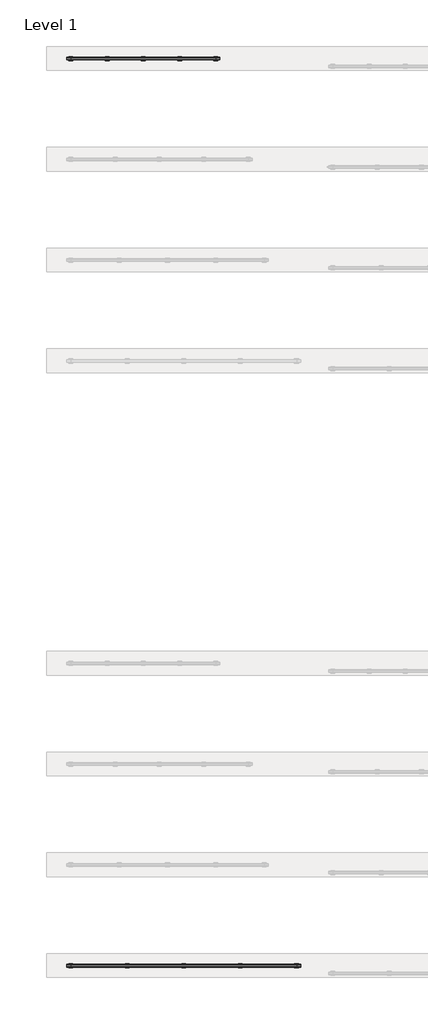
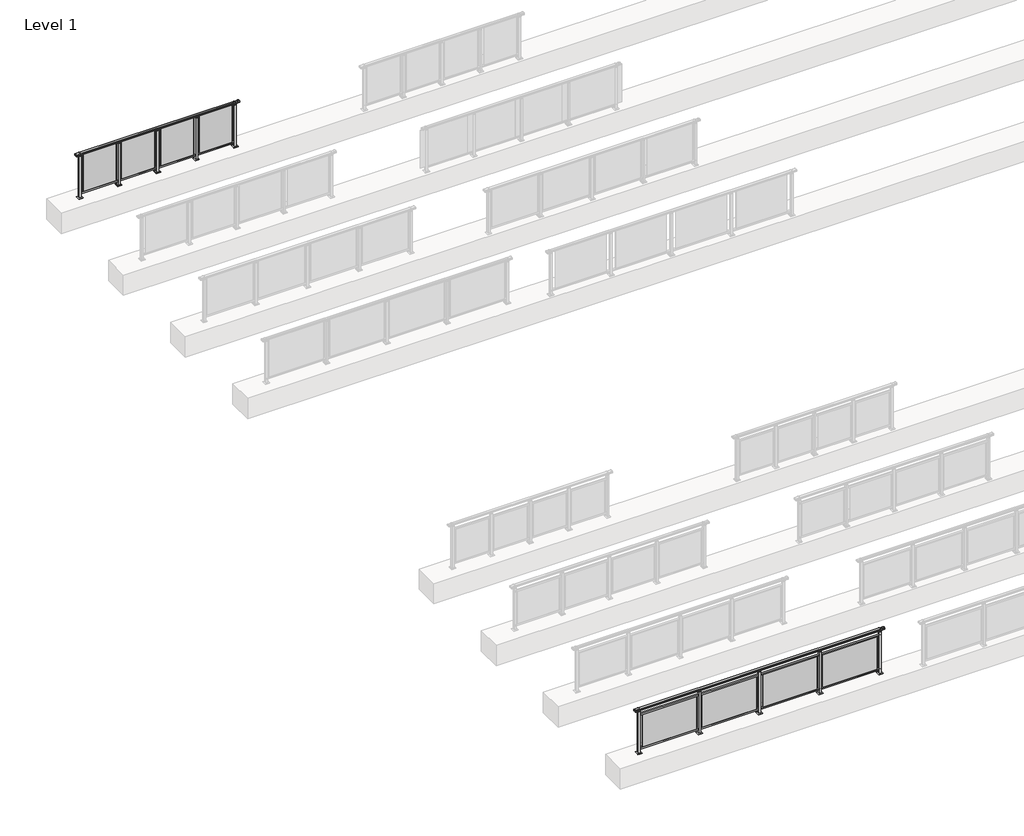
# One storey, part 36 of 64: 2 railings.
"""IFC4 building model written with IfcOpenShell, lengths in millimetres."""

import ifcopenshell
import ifcopenshell.guid

model = None  # the IFC model being written
_history = None  # IfcOwnerHistory: only IFC2X3 demands one
_inside = {}  # id of a spatial element -> (the spatial element, [elements in it])
_under = {}  # id of a project, library or spatial element -> (it, [spatial elements below it])
_declared = {}  # id of a project -> (the project, [libraries it declares])
_typed = {}  # id of a type object -> (the type object, [elements of that type])
_made_of = {}  # id of a material, layer set ... -> (it, [elements and type objects made of it])


def new_model(schema):
    """Start an empty IFC model of exactly this schema.

    Asked for "IFC4X3", IfcOpenShell would pick the latest addendum, in which some entities
    have other attributes; the version numbers below select the first issue.
    IFC2X3 requires an IfcOwnerHistory on every rooted entity: one is made here for all.
    """
    global model, _history
    if schema == "IFC4X3":
        model = ifcopenshell.file(schema_version=(4, 3, 0, 0))
    else:
        model = ifcopenshell.file(schema=schema)
    _inside.clear()
    _under.clear()
    _declared.clear()
    _typed.clear()
    _made_of.clear()
    _history = None
    if model.schema == "IFC2X3":
        org = make("IfcOrganization", Name="unknown")
        user = make(
            "IfcPersonAndOrganization",
            ThePerson=make("IfcPerson", FamilyName="unknown"),
            TheOrganization=org,
        )
        app = make(
            "IfcApplication",
            ApplicationDeveloper=org,
            Version="unknown",
            ApplicationFullName="unknown",
            ApplicationIdentifier="unknown",
        )
        _history = make(
            "IfcOwnerHistory",
            OwningUser=user,
            OwningApplication=app,
            ChangeAction="ADDED",
            CreationDate=0,
        )
    return model


def make(cls, **values):
    """One entity of the class cls with the attributes given. An attribute that is None is left unset."""
    return model.create_entity(
        cls, **{name: value for name, value in values.items() if value is not None}
    )


def rooted(cls, **values):
    """An entity with a GlobalId (a new one), such as an element, a storey or a relation."""
    return make(cls, GlobalId=ifcopenshell.guid.new(), OwnerHistory=_history, **values)


def si_unit(unit_type, name, prefix=None):
    """IfcSIUnit, for example si_unit("LENGTHUNIT", "METRE", prefix="MILLI")."""
    return make("IfcSIUnit", UnitType=unit_type, Prefix=prefix, Name=name)


def assignment(units):
    """IfcUnitAssignment: the units of a project."""
    return None if units is None else make("IfcUnitAssignment", Units=units)


def point(xyz):
    """IfcCartesianPoint."""
    return None if xyz is None else make("IfcCartesianPoint", Coordinates=xyz)


def direction(xyz):
    """IfcDirection."""
    return None if xyz is None else make("IfcDirection", DirectionRatios=xyz)


def frame(location, z_axis=None, x_axis=None):
    """IfcAxis2Placement3D, a coordinate frame: its origin and axes. An axis left out is left unset."""
    return make(
        "IfcAxis2Placement3D",
        Location=point(location),
        Axis=direction(z_axis),
        RefDirection=direction(x_axis),
    )


def origin():
    """The frame at (0, 0, 0) with its axes left unset."""
    return frame((0.0, 0.0, 0.0))


def origin_with_axes():
    """The frame at (0, 0, 0) with the z axis (0, 0, 1) and the x axis (1, 0, 0) written out."""
    return frame((0.0, 0.0, 0.0), z_axis=(0.0, 0.0, 1.0), x_axis=(1.0, 0.0, 0.0))


def place(relative_to, where):
    """IfcLocalPlacement: puts the frame where relative to a parent placement (None: the world)."""
    return make(
        "IfcLocalPlacement", PlacementRelTo=relative_to, RelativePlacement=where
    )


def context(
    kind, dimensions, precision=None, world=None, true_north=None, identifier=None
):
    """IfcGeometricRepresentationContext, for example the 3D "Model" context."""
    return make(
        "IfcGeometricRepresentationContext",
        ContextIdentifier=identifier,
        ContextType=kind,
        CoordinateSpaceDimension=dimensions,
        Precision=precision,
        WorldCoordinateSystem=world,
        TrueNorth=true_north,
    )


def project(units=None, contexts=None):
    """IfcProject with its units and contexts."""
    return rooted(
        "IfcProject",
        Name="project",
        RepresentationContexts=contexts,
        UnitsInContext=assignment(units),
    )


def spatial(cls, under=None, at=None, **own):
    """A site, building, storey or space (cls), placed at a placement, below another one or the project."""
    s = rooted(cls, ObjectPlacement=at, **own)
    if under is not None:
        _under.setdefault(under.id(), (under, []))[1].append(s)
    return s


def polyline(points):
    """IfcPolyline through the points."""
    return make("IfcPolyline", Points=[point(p) for p in points])


def circle_curve(where, radius):
    """IfcCircle in the frame where."""
    return make("IfcCircle", Position=where, Radius=radius)


def outline(outer, holes=None, kind="AREA"):
    """IfcArbitraryClosedProfileDef: a profile drawn as a closed curve; with holes, ...WithVoids."""
    if holes is None:
        return make("IfcArbitraryClosedProfileDef", ProfileType=kind, OuterCurve=outer)
    return make(
        "IfcArbitraryProfileDefWithVoids",
        ProfileType=kind,
        OuterCurve=outer,
        InnerCurves=holes,
    )


def extrude(swept, where, along, depth):
    """IfcExtrudedAreaSolid: the profile swept, set in the frame where, extruded along a direction by depth."""
    return make(
        "IfcExtrudedAreaSolid",
        SweptArea=swept,
        Position=where,
        ExtrudedDirection=direction(along),
        Depth=depth,
    )


def shape(context_of_items, identifier, shape_type, items):
    """IfcShapeRepresentation: the items that make up one representation, for example the "Body"."""
    return make(
        "IfcShapeRepresentation",
        ContextOfItems=context_of_items,
        RepresentationIdentifier=identifier,
        RepresentationType=shape_type,
        Items=items,
    )


def made_of(thing, what):
    """Note that an element or type object is made of a material, layer set ...; save() writes the relation."""
    if what is not None:
        _made_of.setdefault(what.id(), (what, []))[1].append(thing)
    return thing


def element(
    cls,
    number,
    at=None,
    inside=None,
    cuts=None,
    type_object=None,
    material=None,
    context=None,
    identifier="Body",
    shape_type=None,
    held_by="IfcProductDefinitionShape",
    body=None,
    shapes=None,
    **own,
):
    """One element of the class cls, such as IfcWall. Its Tag is "e" and its number.

    at: its placement. inside: the storey or other place that contains it. cuts: it is an
    opening in that element (IfcRelVoidsElement). A single representation is given by context,
    identifier, shape_type and body (its items); several are given by shapes. held_by: the class
    of the entity that holds the representations. save() writes the other relations.
    """
    e = rooted(cls, Tag="e%d" % number, ObjectPlacement=at, **own)
    if body is not None:
        shapes = [shape(context, identifier, shape_type, body)]
    if shapes is not None:
        e.Representation = make(held_by, Representations=shapes)
    if inside is not None:
        _inside.setdefault(inside.id(), (inside, []))[1].append(e)
    if cuts is not None:
        rooted(
            "IfcRelVoidsElement", RelatingBuildingElement=cuts, RelatedOpeningElement=e
        )
    if type_object is not None:
        _typed.setdefault(type_object.id(), (type_object, []))[1].append(e)
    return made_of(e, material)


def aggregate(whole, parts):
    """IfcRelAggregates: a whole, such as a stair, and the parts it consists of."""
    return rooted("IfcRelAggregates", RelatingObject=whole, RelatedObjects=parts)


def save(model, path):
    """Write the relations noted so far, then the file.

    IfcRelAggregates (storeys below a building ...), IfcRelContainedInSpatialStructure (elements
    in a storey), IfcRelDefinesByType, IfcRelAssociatesMaterial and IfcRelDeclares: one each for
    every whole, place, type object, material and project.
    """
    for whole, parts in _under.values():
        aggregate(whole, parts)
    for where, things in _inside.values():
        rooted(
            "IfcRelContainedInSpatialStructure",
            RelatedElements=things,
            RelatingStructure=where,
        )
    for kind, things in _typed.values():
        rooted("IfcRelDefinesByType", RelatedObjects=things, RelatingType=kind)
    for what, things in _made_of.values():
        rooted("IfcRelAssociatesMaterial", RelatedObjects=things, RelatingMaterial=what)
    for by, libraries in _declared.values():
        rooted("IfcRelDeclares", RelatingContext=by, RelatedDefinitions=libraries)
    model.write(path)


def plane_surface(at):
    """IfcPlane: the flat surface through the origin of the frame at, square to its z axis."""
    return make("IfcPlane", Position=at)


def cylinder_surface(at, radius):
    """IfcCylindricalSurface: all points at the distance radius from the z axis of the frame at."""
    return make("IfcCylindricalSurface", Position=at, Radius=radius)


def revolved_surface(curve, axis_point, axis_direction):
    """IfcSurfaceOfRevolution: the curve turned about the line through axis_point along axis_direction."""
    return make(
        "IfcSurfaceOfRevolution",
        SweptCurve=make("IfcArbitraryOpenProfileDef", ProfileType="CURVE", Curve=curve),
        AxisPosition=make("IfcAxis1Placement", Location=point(axis_point), Axis=direction(axis_direction)),
    )


def advanced_brep(points, edges, surfaces, faces):
    """IfcAdvancedBrep: a solid bounded by faces that lie on surfaces and meet in shared edges.

    An edge is (start, end): straight between two places in points (the first is 0);
    or (start, end, curve); or (start, end, curve, False) where it runs against its curve.
    A face is (place in surfaces, loops), or (place, loops, False) where it looks against
    its surface's normal. A loop lists edges by number (the first is 1), with a minus sign
    where the edge is run from its end to its start. The first loop is the outer one.
    """
    corners = [point(p) for p in points]
    vertices = [make("IfcVertexPoint", VertexGeometry=c) for c in corners]
    made = []
    for start, end, *more in edges:
        made.append(
            make(
                "IfcEdgeCurve",
                EdgeStart=vertices[start],
                EdgeEnd=vertices[end],
                EdgeGeometry=more[0] if more else make("IfcPolyline", Points=[corners[start], corners[end]]),
                SameSense=more[1] if len(more) > 1 else True,
            )
        )
    hull = []
    for where, loops, *sense in faces:
        bounds = []
        for j, loop in enumerate(loops):
            ring = [make("IfcOrientedEdge", EdgeElement=made[abs(k) - 1], Orientation=k > 0) for k in loop]
            bounds.append(
                make(
                    "IfcFaceOuterBound" if j == 0 else "IfcFaceBound",
                    Bound=make("IfcEdgeLoop", EdgeList=ring),
                    Orientation=True,
                )
            )
        hull.append(make("IfcAdvancedFace", Bounds=bounds, FaceSurface=surfaces[where], SameSense=sense[0] if sense else True))
    return make("IfcAdvancedBrep", Outer=make("IfcClosedShell", CfsFaces=hull))


model = new_model("IFC4")

# Units and contexts
model_context = context("Model", 3, world=origin())
ifc_project = project(units=[si_unit("LENGTHUNIT", "METRE", prefix="MILLI")], contexts=[model_context])

# Site, building, storey
site = spatial("IfcSite", under=ifc_project)
building = spatial("IfcBuilding", under=site)
storey = spatial("IfcBuildingStorey", under=building, Name="Level 1", Elevation=0.0)

# Railings
placement = place(None, origin())
element("IfcRailing", 1, at=placement, inside=storey, context=model_context, shape_type="SolidModel", body=[
    advanced_brep(
    [(29900.0, 22715.3633756, 1095.6691182), (29900.0, 22720.1846828, 1081.1334092), (29900.0, 22719.2413744, 1069.2539035), (29900.0, 22721.1364177, 1061.4863007), (29900.0, 22719.4894799, 1060.384124), (29900.0, 22719.4894799, 1062.0), (29900.0, 22660.8798858, 1062.0), (29900.0, 22660.8798858, 1060.384124), (29900.0, 22659.232948, 1061.4863007), (29900.0, 22661.1279912, 1069.2539035), (29900.0, 22660.1846828, 1081.1334092), (29900.0, 22665.00599, 1095.6691182), (33700.0, 22715.3633756, 1095.6691182), (33700.0, 22665.00599, 1095.6691182), (33700.0, 22660.1846828, 1081.1334092), (33700.0, 22661.1279912, 1069.2539035), (33700.0, 22659.232948, 1061.4863007), (33700.0, 22660.8798858, 1060.384124), (33700.0, 22660.8798858, 1062.0), (33700.0, 22719.4894799, 1062.0), (33700.0, 22719.4894799, 1060.384124), (33700.0, 22721.1364177, 1061.4863007), (33700.0, 22719.2413744, 1069.2539035), (33700.0, 22720.1846828, 1081.1334092), (30000.0, 22715.3633756, 1095.6691182), (30000.0, 22720.1846828, 1081.1334092), (30000.0, 22719.2413744, 1069.2539035), (30000.0, 22721.1364177, 1061.4863007), (30000.0, 22719.4894799, 1060.384124), (30000.0, 22719.4894799, 1062.0), (30000.0, 22660.8798858, 1062.0), (30000.0, 22660.8798858, 1060.384124), (30000.0, 22659.232948, 1061.4863007), (30000.0, 22661.1279912, 1069.2539035), (30000.0, 22660.1846828, 1081.1334092), (30000.0, 22665.00599, 1095.6691182), (33600.0, 22715.3633756, 1095.6691182), (33600.0, 22720.1846828, 1081.1334092), (33600.0, 22719.2413744, 1069.2539035), (33600.0, 22721.1364177, 1061.4863007), (33600.0, 22719.4894799, 1060.384124), (33600.0, 22719.4894799, 1062.0), (33600.0, 22660.8798858, 1062.0), (33600.0, 22660.8798858, 1060.384124), (33600.0, 22659.232948, 1061.4863007), (33600.0, 22661.1279912, 1069.2539035), (33600.0, 22660.1846828, 1081.1334092), (33600.0, 22665.00599, 1095.6691182)],
    [
        (0, 1, circle_curve(frame((29900.0, 22712.1223845, 1086.526686), z_axis=(-1.0, 0.0, 0.0), x_axis=(0.0, -1.0, 0.0)), 9.6999015)),
        (1, 2, circle_curve(frame((29900.0, 22737.7252545, 1073.7633709), z_axis=(1.0, 0.0, 0.0), x_axis=(0.0, -1.0, 0.0)), 19.0260117)),
        (2, 3),
        (3, 4, circle_curve(frame((29900.0, 22720.2772073, 1060.9886194), z_axis=(-1.0, 0.0, 0.0), x_axis=(0.0, -1.0, 0.0)), 0.9929396)),
        (4, 5),
        (5, 6),
        (6, 7),
        (7, 8, circle_curve(frame((29900.0, 22660.0921584, 1060.9886194), z_axis=(-1.0, 0.0, 0.0), x_axis=(0.0, 1.0, 0.0)), 0.9929396)),
        (8, 9),
        (9, 10, circle_curve(frame((29900.0, 22642.6441111, 1073.7633709), z_axis=(1.0, 0.0, 0.0), x_axis=(0.0, 1.0, 0.0)), 19.0260117)),
        (10, 11, circle_curve(frame((29900.0, 22668.2469812, 1086.526686), z_axis=(-1.0, 0.0, 0.0), x_axis=(0.0, 1.0, 0.0)), 9.6999015)),
        (11, 0, circle_curve(frame((29900.0, 22690.1846828, 1024.6431628), z_axis=(-1.0, 0.0, 0.0), x_axis=(0.0, 1.0, 0.0)), 75.3568372)),
        (12, 13, circle_curve(frame((33700.0, 22690.1846828, 1024.6431628), z_axis=(1.0, 0.0, 0.0), x_axis=(0.0, 1.0, 0.0)), 75.3568372)),
        (13, 14, circle_curve(frame((33700.0, 22668.2469812, 1086.526686), z_axis=(1.0, 0.0, 0.0), x_axis=(0.0, 1.0, 0.0)), 9.6999015)),
        (14, 15, circle_curve(frame((33700.0, 22642.6441111, 1073.7633709), z_axis=(-1.0, 0.0, 0.0), x_axis=(0.0, 1.0, 0.0)), 19.0260117)),
        (15, 16),
        (16, 17, circle_curve(frame((33700.0, 22660.0921584, 1060.9886194), z_axis=(1.0, 0.0, 0.0), x_axis=(0.0, 1.0, 0.0)), 0.9929396)),
        (17, 18),
        (18, 19),
        (19, 20),
        (20, 21, circle_curve(frame((33700.0, 22720.2772073, 1060.9886194), z_axis=(1.0, 0.0, 0.0), x_axis=(0.0, -1.0, 0.0)), 0.9929396)),
        (21, 22),
        (22, 23, circle_curve(frame((33700.0, 22737.7252545, 1073.7633709), z_axis=(-1.0, 0.0, 0.0), x_axis=(0.0, -1.0, 0.0)), 19.0260117)),
        (23, 12, circle_curve(frame((33700.0, 22712.1223845, 1086.526686), z_axis=(1.0, 0.0, 0.0), x_axis=(0.0, -1.0, 0.0)), 9.6999015)),
        (0, 24),
        (24, 25, circle_curve(frame((30000.0, 22712.1223845, 1086.526686), z_axis=(-1.0, 0.0, 0.0), x_axis=(0.0, -1.0, 0.0)), 9.6999015)),
        (25, 1),
        (25, 26, circle_curve(frame((30000.0, 22737.7252545, 1073.7633709), z_axis=(1.0, 0.0, 0.0), x_axis=(0.0, -1.0, 0.0)), 19.0260117)),
        (26, 2),
        (26, 27),
        (27, 3),
        (27, 28, circle_curve(frame((30000.0, 22720.2772073, 1060.9886194), z_axis=(-1.0, 0.0, 0.0), x_axis=(0.0, -1.0, 0.0)), 0.9929396)),
        (28, 4),
        (28, 29),
        (29, 5),
        (29, 30),
        (30, 6),
        (30, 31),
        (31, 7),
        (31, 32, circle_curve(frame((30000.0, 22660.0921584, 1060.9886194), z_axis=(-1.0, 0.0, 0.0), x_axis=(0.0, 1.0, 0.0)), 0.9929396)),
        (32, 8),
        (32, 33),
        (33, 9),
        (33, 34, circle_curve(frame((30000.0, 22642.6441111, 1073.7633709), z_axis=(1.0, 0.0, 0.0), x_axis=(0.0, 1.0, 0.0)), 19.0260117)),
        (34, 10),
        (34, 35, circle_curve(frame((30000.0, 22668.2469812, 1086.526686), z_axis=(-1.0, 0.0, 0.0), x_axis=(0.0, 1.0, 0.0)), 9.6999015)),
        (35, 11),
        (35, 24, circle_curve(frame((30000.0, 22690.1846828, 1024.6431628), z_axis=(-1.0, 0.0, 0.0), x_axis=(0.0, 1.0, 0.0)), 75.3568372)),
        (24, 36),
        (36, 37, circle_curve(frame((33600.0, 22712.1223845, 1086.526686), z_axis=(-1.0, 0.0, 0.0), x_axis=(0.0, -1.0, 0.0)), 9.6999015)),
        (37, 25),
        (37, 38, circle_curve(frame((33600.0, 22737.7252545, 1073.7633709), z_axis=(1.0, 0.0, 0.0), x_axis=(0.0, -1.0, 0.0)), 19.0260117)),
        (38, 26),
        (38, 39),
        (39, 27),
        (39, 40, circle_curve(frame((33600.0, 22720.2772073, 1060.9886194), z_axis=(-1.0, 0.0, 0.0), x_axis=(0.0, -1.0, 0.0)), 0.9929396)),
        (40, 28),
        (40, 41),
        (41, 29),
        (41, 42),
        (42, 30),
        (42, 43),
        (43, 31),
        (43, 44, circle_curve(frame((33600.0, 22660.0921584, 1060.9886194), z_axis=(-1.0, 0.0, 0.0), x_axis=(0.0, 1.0, 0.0)), 0.9929396)),
        (44, 32),
        (44, 45),
        (45, 33),
        (45, 46, circle_curve(frame((33600.0, 22642.6441111, 1073.7633709), z_axis=(1.0, 0.0, 0.0), x_axis=(0.0, 1.0, 0.0)), 19.0260117)),
        (46, 34),
        (46, 47, circle_curve(frame((33600.0, 22668.2469812, 1086.526686), z_axis=(-1.0, 0.0, 0.0), x_axis=(0.0, 1.0, 0.0)), 9.6999015)),
        (47, 35),
        (47, 36, circle_curve(frame((33600.0, 22690.1846828, 1024.6431628), z_axis=(-1.0, 0.0, 0.0), x_axis=(0.0, 1.0, 0.0)), 75.3568372)),
        (36, 12),
        (23, 37),
        (22, 38),
        (21, 39),
        (20, 40),
        (19, 41),
        (18, 42),
        (17, 43),
        (16, 44),
        (15, 45),
        (14, 46),
        (13, 47),
    ],
    [
        plane_surface(frame((29900.0, 22690.1846828, 1100.0), z_axis=(-1.0, 0.0, 0.0), x_axis=(0.0, 1.0, 0.0))),
        plane_surface(frame((33700.0, 22690.1846828, 1100.0), z_axis=(1.0, 0.0, 0.0), x_axis=(0.0, 1.0, 0.0))),
        cylinder_surface(frame((29900.0, 22712.1223845, 1086.526686), z_axis=(-1.0, 0.0, 0.0), x_axis=(0.0, -1.0, 0.0)), 9.6999015),
        revolved_surface(polyline([(30000.0, 22718.6992428, 1073.7633709), (29900.0, 22718.6992428, 1073.7633709)]), (29900.0, 22737.7252545, 1073.7633709), (1.0, 0.0, 0.0)),
        plane_surface(frame((29900.0, 22719.2413744, 1069.2539035), z_axis=(0.0, 0.9715057689301543, 0.2370159086125439), x_axis=(1.0, 0.0, 0.0))),
        cylinder_surface(frame((29900.0, 22720.2772073, 1060.9886194), z_axis=(-1.0, 0.0, 0.0), x_axis=(0.0, -1.0, 0.0)), 0.9929396),
        plane_surface(frame((29900.0, 22719.4894799, 1060.384124), z_axis=(0.0, -1.0, 0.0), x_axis=(1.0, 0.0, 0.0))),
        plane_surface(frame((29900.0, 22719.4894799, 1062.0), z_axis=(0.0, 0.0, -1.0), x_axis=(1.0, 0.0, 0.0))),
        plane_surface(frame((29900.0, 22660.8798858, 1062.0), z_axis=(0.0, 1.0, 0.0), x_axis=(1.0, 0.0, 0.0))),
        cylinder_surface(frame((29900.0, 22660.0921584, 1060.9886194), z_axis=(-1.0, 0.0, 0.0), x_axis=(0.0, 1.0, 0.0)), 0.9929396),
        plane_surface(frame((29900.0, 22659.232948, 1061.4863007), z_axis=(0.0, -0.9715057689301543, 0.2370159086125439), x_axis=(1.0, 0.0, 0.0))),
        revolved_surface(polyline([(30000.0, 22661.6701228, 1073.7633709), (29900.0, 22661.6701228, 1073.7633709)]), (29900.0, 22642.6441111, 1073.7633709), (1.0, 0.0, 0.0)),
        cylinder_surface(frame((29900.0, 22668.2469812, 1086.526686), z_axis=(-1.0, 0.0, 0.0), x_axis=(0.0, 1.0, 0.0)), 9.6999015),
        cylinder_surface(frame((29900.0, 22690.1846828, 1024.6431628), z_axis=(-1.0, 0.0, 0.0), x_axis=(0.0, 1.0, 0.0)), 75.3568372),
        cylinder_surface(frame((30000.0, 22712.1223845, 1086.526686), z_axis=(-1.0, 0.0, 0.0), x_axis=(0.0, -1.0, 0.0)), 9.6999015),
        revolved_surface(polyline([(33600.0, 22718.6992428, 1073.7633709), (30000.0, 22718.6992428, 1073.7633709)]), (30000.0, 22737.7252545, 1073.7633709), (1.0, 0.0, 0.0)),
        plane_surface(frame((30000.0, 22719.2413744, 1069.2539035), z_axis=(0.0, 0.9715057689301543, 0.2370159086125439), x_axis=(1.0, 0.0, 0.0))),
        cylinder_surface(frame((30000.0, 22720.2772073, 1060.9886194), z_axis=(-1.0, 0.0, 0.0), x_axis=(0.0, -1.0, 0.0)), 0.9929396),
        plane_surface(frame((30000.0, 22719.4894799, 1060.384124), z_axis=(0.0, -1.0, 0.0), x_axis=(1.0, 0.0, 0.0))),
        plane_surface(frame((30000.0, 22719.4894799, 1062.0), z_axis=(0.0, 0.0, -1.0), x_axis=(1.0, 0.0, 0.0))),
        plane_surface(frame((30000.0, 22660.8798858, 1062.0), z_axis=(0.0, 1.0, 0.0), x_axis=(1.0, 0.0, 0.0))),
        cylinder_surface(frame((30000.0, 22660.0921584, 1060.9886194), z_axis=(-1.0, 0.0, 0.0), x_axis=(0.0, 1.0, 0.0)), 0.9929396),
        plane_surface(frame((30000.0, 22659.232948, 1061.4863007), z_axis=(0.0, -0.9715057689301543, 0.2370159086125439), x_axis=(1.0, 0.0, 0.0))),
        revolved_surface(polyline([(33600.0, 22661.6701228, 1073.7633709), (30000.0, 22661.6701228, 1073.7633709)]), (30000.0, 22642.6441111, 1073.7633709), (1.0, 0.0, 0.0)),
        cylinder_surface(frame((30000.0, 22668.2469812, 1086.526686), z_axis=(-1.0, 0.0, 0.0), x_axis=(0.0, 1.0, 0.0)), 9.6999015),
        cylinder_surface(frame((30000.0, 22690.1846828, 1024.6431628), z_axis=(-1.0, 0.0, 0.0), x_axis=(0.0, 1.0, 0.0)), 75.3568372),
        cylinder_surface(frame((33600.0, 22712.1223845, 1086.526686), z_axis=(-1.0, 0.0, 0.0), x_axis=(0.0, -1.0, 0.0)), 9.6999015),
        revolved_surface(polyline([(33700.0, 22718.6992428, 1073.7633709), (33600.0, 22718.6992428, 1073.7633709)]), (33600.0, 22737.7252545, 1073.7633709), (1.0, 0.0, 0.0)),
        plane_surface(frame((33600.0, 22719.2413744, 1069.2539035), z_axis=(0.0, 0.9715057689301543, 0.2370159086125439), x_axis=(1.0, 0.0, 0.0))),
        cylinder_surface(frame((33600.0, 22720.2772073, 1060.9886194), z_axis=(-1.0, 0.0, 0.0), x_axis=(0.0, -1.0, 0.0)), 0.9929396),
        plane_surface(frame((33600.0, 22719.4894799, 1060.384124), z_axis=(0.0, -1.0, 0.0), x_axis=(1.0, 0.0, 0.0))),
        plane_surface(frame((33600.0, 22719.4894799, 1062.0), z_axis=(0.0, 0.0, -1.0), x_axis=(1.0, 0.0, 0.0))),
        plane_surface(frame((33600.0, 22660.8798858, 1062.0), z_axis=(0.0, 1.0, 0.0), x_axis=(1.0, 0.0, 0.0))),
        cylinder_surface(frame((33600.0, 22660.0921584, 1060.9886194), z_axis=(-1.0, 0.0, 0.0), x_axis=(0.0, 1.0, 0.0)), 0.9929396),
        plane_surface(frame((33600.0, 22659.232948, 1061.4863007), z_axis=(0.0, -0.9715057689301543, 0.2370159086125439), x_axis=(1.0, 0.0, 0.0))),
        revolved_surface(polyline([(33700.0, 22661.6701228, 1073.7633709), (33600.0, 22661.6701228, 1073.7633709)]), (33600.0, 22642.6441111, 1073.7633709), (1.0, 0.0, 0.0)),
        cylinder_surface(frame((33600.0, 22668.2469812, 1086.526686), z_axis=(-1.0, 0.0, 0.0), x_axis=(0.0, 1.0, 0.0)), 9.6999015),
        cylinder_surface(frame((33600.0, 22690.1846828, 1024.6431628), z_axis=(-1.0, 0.0, 0.0), x_axis=(0.0, 1.0, 0.0)), 75.3568372),
    ],
    [
        (0, [[1, 2, 3, 4, 5, 6, 7, 8, 9, 10, 11, 12]]),
        (1, [[13, 14, 15, 16, 17, 18, 19, 20, 21, 22, 23, 24]]),
        (2, [[-1, 25, 26, 27]]),
        (3, [[-2, -27, 28, 29]]),
        (4, [[-3, -29, 30, 31]]),
        (5, [[-4, -31, 32, 33]]),
        (6, [[-5, -33, 34, 35]]),
        (7, [[-6, -35, 36, 37]]),
        (8, [[-7, -37, 38, 39]]),
        (9, [[-8, -39, 40, 41]]),
        (10, [[-9, -41, 42, 43]]),
        (11, [[-10, -43, 44, 45]]),
        (12, [[-11, -45, 46, 47]]),
        (13, [[-12, -47, 48, -25]]),
        (14, [[-26, 49, 50, 51]]),
        (15, [[-28, -51, 52, 53]]),
        (16, [[-30, -53, 54, 55]]),
        (17, [[-32, -55, 56, 57]]),
        (18, [[-34, -57, 58, 59]]),
        (19, [[-36, -59, 60, 61]]),
        (20, [[-38, -61, 62, 63]]),
        (21, [[-40, -63, 64, 65]]),
        (22, [[-42, -65, 66, 67]]),
        (23, [[-44, -67, 68, 69]]),
        (24, [[-46, -69, 70, 71]]),
        (25, [[-48, -71, 72, -49]]),
        (26, [[-50, 73, -24, 74]]),
        (27, [[-52, -74, -23, 75]]),
        (28, [[-54, -75, -22, 76]]),
        (29, [[-56, -76, -21, 77]]),
        (30, [[-58, -77, -20, 78]]),
        (31, [[-60, -78, -19, 79]]),
        (32, [[-62, -79, -18, 80]]),
        (33, [[-64, -80, -17, 81]]),
        (34, [[-66, -81, -16, 82]]),
        (35, [[-68, -82, -15, 83]]),
        (36, [[-70, -83, -14, 84]]),
        (37, [[-72, -84, -13, -73]]),
    ],
),
    extrude(outline(polyline([(30000.0, 22672.6846828), (30000.0, 22707.6846828), (33600.0, 22707.6846828), (33600.0, 22672.6846828), (30000.0, 22672.6846828)])), frame((0.0, 0.0, 95.0), z_axis=(0.0, 0.0, 1.0), x_axis=(1.0, 0.0, 0.0)), (0.0, 0.0, 1.0), 30.0),
    extrude(outline(polyline([(32772.5, 22691.9598727), (33527.5, 22691.9598727), (33527.5, 22685.9598727), (32772.5, 22685.9598727), (32772.5, 22691.9598727)])), frame((0.0, 0.0, 125.0), z_axis=(0.0, 0.0, 1.0), x_axis=(1.0, 0.0, 0.0)), (0.0, 0.0, 1.0), 930.0),
    extrude(outline(polyline([(32710.0, 22680.1846828), (32690.0, 22680.1846828), (32690.0, 22700.1846828), (32710.0, 22700.1846828), (32710.0, 22680.1846828)])), frame((0.0, 0.0, 1035.0), z_axis=(0.0, 0.0, 1.0), x_axis=(1.0, 0.0, 0.0)), (0.0, 0.0, 1.0), 20.0),
    extrude(outline(polyline([(32722.5, 22667.6846828), (32677.5, 22667.6846828), (32677.5, 22712.6846828), (32722.5, 22712.6846828), (32722.5, 22667.6846828)])), frame((0.0, 0.0, 1027.0), z_axis=(0.0, 0.0, 1.0), x_axis=(1.0, 0.0, 0.0)), (0.0, 0.0, 1.0), 8.0),
    extrude(outline(polyline([(32750.0, 22640.1846828), (32650.0, 22640.1846828), (32650.0, 22740.1846828), (32750.0, 22740.1846828), (32750.0, 22640.1846828)])), origin_with_axes(), (0.0, 0.0, 1.0), 12.0),
    extrude(outline(polyline([(32722.5, 22667.6846828), (32677.5, 22667.6846828), (32677.5, 22712.6846828), (32722.5, 22712.6846828), (32722.5, 22667.6846828)])), frame((0.0, 0.0, 12.0), z_axis=(0.0, 0.0, 1.0), x_axis=(1.0, 0.0, 0.0)), (0.0, 0.0, 1.0), 1015.0),
    extrude(outline(polyline([(31872.5, 22691.9598727), (32627.5, 22691.9598727), (32627.5, 22685.9598727), (31872.5, 22685.9598727), (31872.5, 22691.9598727)])), frame((0.0, 0.0, 125.0), z_axis=(0.0, 0.0, 1.0), x_axis=(1.0, 0.0, 0.0)), (0.0, 0.0, 1.0), 930.0),
    extrude(outline(polyline([(31810.0, 22680.1846828), (31790.0, 22680.1846828), (31790.0, 22700.1846828), (31810.0, 22700.1846828), (31810.0, 22680.1846828)])), frame((0.0, 0.0, 1035.0), z_axis=(0.0, 0.0, 1.0), x_axis=(1.0, 0.0, 0.0)), (0.0, 0.0, 1.0), 20.0),
    extrude(outline(polyline([(31822.5, 22667.6846828), (31777.5, 22667.6846828), (31777.5, 22712.6846828), (31822.5, 22712.6846828), (31822.5, 22667.6846828)])), frame((0.0, 0.0, 1027.0), z_axis=(0.0, 0.0, 1.0), x_axis=(1.0, 0.0, 0.0)), (0.0, 0.0, 1.0), 8.0),
    extrude(outline(polyline([(31850.0, 22640.1846828), (31750.0, 22640.1846828), (31750.0, 22740.1846828), (31850.0, 22740.1846828), (31850.0, 22640.1846828)])), origin_with_axes(), (0.0, 0.0, 1.0), 12.0),
    extrude(outline(polyline([(31822.5, 22667.6846828), (31777.5, 22667.6846828), (31777.5, 22712.6846828), (31822.5, 22712.6846828), (31822.5, 22667.6846828)])), frame((0.0, 0.0, 12.0), z_axis=(0.0, 0.0, 1.0), x_axis=(1.0, 0.0, 0.0)), (0.0, 0.0, 1.0), 1015.0),
    extrude(outline(polyline([(30972.5, 22691.9598727), (31727.5, 22691.9598727), (31727.5, 22685.9598727), (30972.5, 22685.9598727), (30972.5, 22691.9598727)])), frame((0.0, 0.0, 125.0), z_axis=(0.0, 0.0, 1.0), x_axis=(1.0, 0.0, 0.0)), (0.0, 0.0, 1.0), 930.0),
    extrude(outline(polyline([(30910.0, 22680.1846828), (30890.0, 22680.1846828), (30890.0, 22700.1846828), (30910.0, 22700.1846828), (30910.0, 22680.1846828)])), frame((0.0, 0.0, 1035.0), z_axis=(0.0, 0.0, 1.0), x_axis=(1.0, 0.0, 0.0)), (0.0, 0.0, 1.0), 20.0),
    extrude(outline(polyline([(30922.5, 22667.6846828), (30877.5, 22667.6846828), (30877.5, 22712.6846828), (30922.5, 22712.6846828), (30922.5, 22667.6846828)])), frame((0.0, 0.0, 1027.0), z_axis=(0.0, 0.0, 1.0), x_axis=(1.0, 0.0, 0.0)), (0.0, 0.0, 1.0), 8.0),
    extrude(outline(polyline([(30950.0, 22640.1846828), (30850.0, 22640.1846828), (30850.0, 22740.1846828), (30950.0, 22740.1846828), (30950.0, 22640.1846828)])), origin_with_axes(), (0.0, 0.0, 1.0), 12.0),
    extrude(outline(polyline([(30922.5, 22667.6846828), (30877.5, 22667.6846828), (30877.5, 22712.6846828), (30922.5, 22712.6846828), (30922.5, 22667.6846828)])), frame((0.0, 0.0, 12.0), z_axis=(0.0, 0.0, 1.0), x_axis=(1.0, 0.0, 0.0)), (0.0, 0.0, 1.0), 1015.0),
    extrude(outline(polyline([(30072.5, 22691.9598727), (30827.5, 22691.9598727), (30827.5, 22685.9598727), (30072.5, 22685.9598727), (30072.5, 22691.9598727)])), frame((0.0, 0.0, 125.0), z_axis=(0.0, 0.0, 1.0), x_axis=(1.0, 0.0, 0.0)), (0.0, 0.0, 1.0), 930.0),
    extrude(outline(polyline([(33610.0, 22680.1846828), (33590.0, 22680.1846828), (33590.0, 22700.1846828), (33610.0, 22700.1846828), (33610.0, 22680.1846828)])), frame((0.0, 0.0, 1035.0), z_axis=(0.0, 0.0, 1.0), x_axis=(1.0, 0.0, 0.0)), (0.0, 0.0, 1.0), 20.0),
    extrude(outline(polyline([(33622.5, 22667.6846828), (33577.5, 22667.6846828), (33577.5, 22712.6846828), (33622.5, 22712.6846828), (33622.5, 22667.6846828)])), frame((0.0, 0.0, 1027.0), z_axis=(0.0, 0.0, 1.0), x_axis=(1.0, 0.0, 0.0)), (0.0, 0.0, 1.0), 8.0),
    extrude(outline(polyline([(33650.0, 22640.1846828), (33550.0, 22640.1846828), (33550.0, 22740.1846828), (33650.0, 22740.1846828), (33650.0, 22640.1846828)])), origin_with_axes(), (0.0, 0.0, 1.0), 12.0),
    extrude(outline(polyline([(33622.5, 22667.6846828), (33577.5, 22667.6846828), (33577.5, 22712.6846828), (33622.5, 22712.6846828), (33622.5, 22667.6846828)])), frame((0.0, 0.0, 12.0), z_axis=(0.0, 0.0, 1.0), x_axis=(1.0, 0.0, 0.0)), (0.0, 0.0, 1.0), 1015.0),
    extrude(outline(polyline([(30010.0, 22680.1846828), (29990.0, 22680.1846828), (29990.0, 22700.1846828), (30010.0, 22700.1846828), (30010.0, 22680.1846828)])), frame((0.0, 0.0, 1035.0), z_axis=(0.0, 0.0, 1.0), x_axis=(1.0, 0.0, 0.0)), (0.0, 0.0, 1.0), 20.0),
    extrude(outline(polyline([(30022.5, 22667.6846828), (29977.5, 22667.6846828), (29977.5, 22712.6846828), (30022.5, 22712.6846828), (30022.5, 22667.6846828)])), frame((0.0, 0.0, 1027.0), z_axis=(0.0, 0.0, 1.0), x_axis=(1.0, 0.0, 0.0)), (0.0, 0.0, 1.0), 8.0),
    extrude(outline(polyline([(30050.0, 22640.1846828), (29950.0, 22640.1846828), (29950.0, 22740.1846828), (30050.0, 22740.1846828), (30050.0, 22640.1846828)])), origin_with_axes(), (0.0, 0.0, 1.0), 12.0),
    extrude(outline(polyline([(30022.5, 22667.6846828), (29977.5, 22667.6846828), (29977.5, 22712.6846828), (30022.5, 22712.6846828), (30022.5, 22667.6846828)])), frame((0.0, 0.0, 12.0), z_axis=(0.0, 0.0, 1.0), x_axis=(1.0, 0.0, 0.0)), (0.0, 0.0, 1.0), 1015.0),
])
element("IfcRailing", 2, at=placement, inside=storey, context=model_context, shape_type="SolidModel", body=[
    advanced_brep(
    [(29900.0, 215.3633756, 1095.6691182), (29900.0, 220.1846828, 1081.1334092), (29900.0, 219.2413744, 1069.2539035), (29900.0, 221.1364177, 1061.4863007), (29900.0, 219.4894799, 1060.384124), (29900.0, 219.4894799, 1062.0), (29900.0, 160.8798858, 1062.0), (29900.0, 160.8798858, 1060.384124), (29900.0, 159.232948, 1061.4863007), (29900.0, 161.1279912, 1069.2539035), (29900.0, 160.1846828, 1081.1334092), (29900.0, 165.00599, 1095.6691182), (35700.0, 215.3633756, 1095.6691182), (35700.0, 165.00599, 1095.6691182), (35700.0, 160.1846828, 1081.1334092), (35700.0, 161.1279912, 1069.2539035), (35700.0, 159.232948, 1061.4863007), (35700.0, 160.8798858, 1060.384124), (35700.0, 160.8798858, 1062.0), (35700.0, 219.4894799, 1062.0), (35700.0, 219.4894799, 1060.384124), (35700.0, 221.1364177, 1061.4863007), (35700.0, 219.2413744, 1069.2539035), (35700.0, 220.1846828, 1081.1334092), (30000.0, 215.3633756, 1095.6691182), (30000.0, 220.1846828, 1081.1334092), (30000.0, 219.2413744, 1069.2539035), (30000.0, 221.1364177, 1061.4863007), (30000.0, 219.4894799, 1060.384124), (30000.0, 219.4894799, 1062.0), (30000.0, 160.8798858, 1062.0), (30000.0, 160.8798858, 1060.384124), (30000.0, 159.232948, 1061.4863007), (30000.0, 161.1279912, 1069.2539035), (30000.0, 160.1846828, 1081.1334092), (30000.0, 165.00599, 1095.6691182), (35600.0, 215.3633756, 1095.6691182), (35600.0, 220.1846828, 1081.1334092), (35600.0, 219.2413744, 1069.2539035), (35600.0, 221.1364177, 1061.4863007), (35600.0, 219.4894799, 1060.384124), (35600.0, 219.4894799, 1062.0), (35600.0, 160.8798858, 1062.0), (35600.0, 160.8798858, 1060.384124), (35600.0, 159.232948, 1061.4863007), (35600.0, 161.1279912, 1069.2539035), (35600.0, 160.1846828, 1081.1334092), (35600.0, 165.00599, 1095.6691182)],
    [
        (0, 1, circle_curve(frame((29900.0, 212.1223845, 1086.526686), z_axis=(-1.0, 0.0, 0.0), x_axis=(0.0, -1.0, 0.0)), 9.6999015)),
        (1, 2, circle_curve(frame((29900.0, 237.7252545, 1073.7633709), z_axis=(1.0, 0.0, 0.0), x_axis=(0.0, -1.0, 0.0)), 19.0260117)),
        (2, 3),
        (3, 4, circle_curve(frame((29900.0, 220.2772073, 1060.9886194), z_axis=(-1.0, 0.0, 0.0), x_axis=(0.0, -1.0, 0.0)), 0.9929396)),
        (4, 5),
        (5, 6),
        (6, 7),
        (7, 8, circle_curve(frame((29900.0, 160.0921584, 1060.9886194), z_axis=(-1.0, 0.0, 0.0), x_axis=(0.0, 1.0, 0.0)), 0.9929396)),
        (8, 9),
        (9, 10, circle_curve(frame((29900.0, 142.6441111, 1073.7633709), z_axis=(1.0, 0.0, 0.0), x_axis=(0.0, 1.0, 0.0)), 19.0260117)),
        (10, 11, circle_curve(frame((29900.0, 168.2469812, 1086.526686), z_axis=(-1.0, 0.0, 0.0), x_axis=(0.0, 1.0, 0.0)), 9.6999015)),
        (11, 0, circle_curve(frame((29900.0, 190.1846828, 1024.6431628), z_axis=(-1.0, 0.0, 0.0), x_axis=(0.0, 1.0, 0.0)), 75.3568372)),
        (12, 13, circle_curve(frame((35700.0, 190.1846828, 1024.6431628), z_axis=(1.0, 0.0, 0.0), x_axis=(0.0, 1.0, 0.0)), 75.3568372)),
        (13, 14, circle_curve(frame((35700.0, 168.2469812, 1086.526686), z_axis=(1.0, 0.0, 0.0), x_axis=(0.0, 1.0, 0.0)), 9.6999015)),
        (14, 15, circle_curve(frame((35700.0, 142.6441111, 1073.7633709), z_axis=(-1.0, 0.0, 0.0), x_axis=(0.0, 1.0, 0.0)), 19.0260117)),
        (15, 16),
        (16, 17, circle_curve(frame((35700.0, 160.0921584, 1060.9886194), z_axis=(1.0, 0.0, 0.0), x_axis=(0.0, 1.0, 0.0)), 0.9929396)),
        (17, 18),
        (18, 19),
        (19, 20),
        (20, 21, circle_curve(frame((35700.0, 220.2772073, 1060.9886194), z_axis=(1.0, 0.0, 0.0), x_axis=(0.0, -1.0, 0.0)), 0.9929396)),
        (21, 22),
        (22, 23, circle_curve(frame((35700.0, 237.7252545, 1073.7633709), z_axis=(-1.0, 0.0, 0.0), x_axis=(0.0, -1.0, 0.0)), 19.0260117)),
        (23, 12, circle_curve(frame((35700.0, 212.1223845, 1086.526686), z_axis=(1.0, 0.0, 0.0), x_axis=(0.0, -1.0, 0.0)), 9.6999015)),
        (0, 24),
        (24, 25, circle_curve(frame((30000.0, 212.1223845, 1086.526686), z_axis=(-1.0, 0.0, 0.0), x_axis=(0.0, -1.0, 0.0)), 9.6999015)),
        (25, 1),
        (25, 26, circle_curve(frame((30000.0, 237.7252545, 1073.7633709), z_axis=(1.0, 0.0, 0.0), x_axis=(0.0, -1.0, 0.0)), 19.0260117)),
        (26, 2),
        (26, 27),
        (27, 3),
        (27, 28, circle_curve(frame((30000.0, 220.2772073, 1060.9886194), z_axis=(-1.0, 0.0, 0.0), x_axis=(0.0, -1.0, 0.0)), 0.9929396)),
        (28, 4),
        (28, 29),
        (29, 5),
        (29, 30),
        (30, 6),
        (30, 31),
        (31, 7),
        (31, 32, circle_curve(frame((30000.0, 160.0921584, 1060.9886194), z_axis=(-1.0, 0.0, 0.0), x_axis=(0.0, 1.0, 0.0)), 0.9929396)),
        (32, 8),
        (32, 33),
        (33, 9),
        (33, 34, circle_curve(frame((30000.0, 142.6441111, 1073.7633709), z_axis=(1.0, 0.0, 0.0), x_axis=(0.0, 1.0, 0.0)), 19.0260117)),
        (34, 10),
        (34, 35, circle_curve(frame((30000.0, 168.2469812, 1086.526686), z_axis=(-1.0, 0.0, 0.0), x_axis=(0.0, 1.0, 0.0)), 9.6999015)),
        (35, 11),
        (35, 24, circle_curve(frame((30000.0, 190.1846828, 1024.6431628), z_axis=(-1.0, 0.0, 0.0), x_axis=(0.0, 1.0, 0.0)), 75.3568372)),
        (24, 36),
        (36, 37, circle_curve(frame((35600.0, 212.1223845, 1086.526686), z_axis=(-1.0, 0.0, 0.0), x_axis=(0.0, -1.0, 0.0)), 9.6999015)),
        (37, 25),
        (37, 38, circle_curve(frame((35600.0, 237.7252545, 1073.7633709), z_axis=(1.0, 0.0, 0.0), x_axis=(0.0, -1.0, 0.0)), 19.0260117)),
        (38, 26),
        (38, 39),
        (39, 27),
        (39, 40, circle_curve(frame((35600.0, 220.2772073, 1060.9886194), z_axis=(-1.0, 0.0, 0.0), x_axis=(0.0, -1.0, 0.0)), 0.9929396)),
        (40, 28),
        (40, 41),
        (41, 29),
        (41, 42),
        (42, 30),
        (42, 43),
        (43, 31),
        (43, 44, circle_curve(frame((35600.0, 160.0921584, 1060.9886194), z_axis=(-1.0, 0.0, 0.0), x_axis=(0.0, 1.0, 0.0)), 0.9929396)),
        (44, 32),
        (44, 45),
        (45, 33),
        (45, 46, circle_curve(frame((35600.0, 142.6441111, 1073.7633709), z_axis=(1.0, 0.0, 0.0), x_axis=(0.0, 1.0, 0.0)), 19.0260117)),
        (46, 34),
        (46, 47, circle_curve(frame((35600.0, 168.2469812, 1086.526686), z_axis=(-1.0, 0.0, 0.0), x_axis=(0.0, 1.0, 0.0)), 9.6999015)),
        (47, 35),
        (47, 36, circle_curve(frame((35600.0, 190.1846828, 1024.6431628), z_axis=(-1.0, 0.0, 0.0), x_axis=(0.0, 1.0, 0.0)), 75.3568372)),
        (36, 12),
        (23, 37),
        (22, 38),
        (21, 39),
        (20, 40),
        (19, 41),
        (18, 42),
        (17, 43),
        (16, 44),
        (15, 45),
        (14, 46),
        (13, 47),
    ],
    [
        plane_surface(frame((29900.0, 190.1846828, 1100.0), z_axis=(-1.0, 0.0, 0.0), x_axis=(0.0, 1.0, 0.0))),
        plane_surface(frame((35700.0, 190.1846828, 1100.0), z_axis=(1.0, 0.0, 0.0), x_axis=(0.0, 1.0, 0.0))),
        cylinder_surface(frame((29900.0, 212.1223845, 1086.526686), z_axis=(-1.0, 0.0, 0.0), x_axis=(0.0, -1.0, 0.0)), 9.6999015),
        revolved_surface(polyline([(30000.0, 218.6992428, 1073.7633709), (29900.0, 218.6992428, 1073.7633709)]), (29900.0, 237.7252545, 1073.7633709), (1.0, 0.0, 0.0)),
        plane_surface(frame((29900.0, 219.2413744, 1069.2539035), z_axis=(0.0, 0.9715057689301543, 0.2370159086125439), x_axis=(1.0, 0.0, 0.0))),
        cylinder_surface(frame((29900.0, 220.2772073, 1060.9886194), z_axis=(-1.0, 0.0, 0.0), x_axis=(0.0, -1.0, 0.0)), 0.9929396),
        plane_surface(frame((29900.0, 219.4894799, 1060.384124), z_axis=(0.0, -1.0, 0.0), x_axis=(1.0, 0.0, 0.0))),
        plane_surface(frame((29900.0, 219.4894799, 1062.0), z_axis=(0.0, 0.0, -1.0), x_axis=(1.0, 0.0, 0.0))),
        plane_surface(frame((29900.0, 160.8798858, 1062.0), z_axis=(0.0, 1.0, 0.0), x_axis=(1.0, 0.0, 0.0))),
        cylinder_surface(frame((29900.0, 160.0921584, 1060.9886194), z_axis=(-1.0, 0.0, 0.0), x_axis=(0.0, 1.0, 0.0)), 0.9929396),
        plane_surface(frame((29900.0, 159.232948, 1061.4863007), z_axis=(0.0, -0.9715057689301543, 0.2370159086125439), x_axis=(1.0, 0.0, 0.0))),
        revolved_surface(polyline([(30000.0, 161.6701228, 1073.7633709), (29900.0, 161.6701228, 1073.7633709)]), (29900.0, 142.6441111, 1073.7633709), (1.0, 0.0, 0.0)),
        cylinder_surface(frame((29900.0, 168.2469812, 1086.526686), z_axis=(-1.0, 0.0, 0.0), x_axis=(0.0, 1.0, 0.0)), 9.6999015),
        cylinder_surface(frame((29900.0, 190.1846828, 1024.6431628), z_axis=(-1.0, 0.0, 0.0), x_axis=(0.0, 1.0, 0.0)), 75.3568372),
        cylinder_surface(frame((30000.0, 212.1223845, 1086.526686), z_axis=(-1.0, 0.0, 0.0), x_axis=(0.0, -1.0, 0.0)), 9.6999015),
        revolved_surface(polyline([(35600.0, 218.6992428, 1073.7633709), (30000.0, 218.6992428, 1073.7633709)]), (30000.0, 237.7252545, 1073.7633709), (1.0, 0.0, 0.0)),
        plane_surface(frame((30000.0, 219.2413744, 1069.2539035), z_axis=(0.0, 0.9715057689301543, 0.2370159086125439), x_axis=(1.0, 0.0, 0.0))),
        cylinder_surface(frame((30000.0, 220.2772073, 1060.9886194), z_axis=(-1.0, 0.0, 0.0), x_axis=(0.0, -1.0, 0.0)), 0.9929396),
        plane_surface(frame((30000.0, 219.4894799, 1060.384124), z_axis=(0.0, -1.0, 0.0), x_axis=(1.0, 0.0, 0.0))),
        plane_surface(frame((30000.0, 219.4894799, 1062.0), z_axis=(0.0, 0.0, -1.0), x_axis=(1.0, 0.0, 0.0))),
        plane_surface(frame((30000.0, 160.8798858, 1062.0), z_axis=(0.0, 1.0, 0.0), x_axis=(1.0, 0.0, 0.0))),
        cylinder_surface(frame((30000.0, 160.0921584, 1060.9886194), z_axis=(-1.0, 0.0, 0.0), x_axis=(0.0, 1.0, 0.0)), 0.9929396),
        plane_surface(frame((30000.0, 159.232948, 1061.4863007), z_axis=(0.0, -0.9715057689301543, 0.2370159086125439), x_axis=(1.0, 0.0, 0.0))),
        revolved_surface(polyline([(35600.0, 161.6701228, 1073.7633709), (30000.0, 161.6701228, 1073.7633709)]), (30000.0, 142.6441111, 1073.7633709), (1.0, 0.0, 0.0)),
        cylinder_surface(frame((30000.0, 168.2469812, 1086.526686), z_axis=(-1.0, 0.0, 0.0), x_axis=(0.0, 1.0, 0.0)), 9.6999015),
        cylinder_surface(frame((30000.0, 190.1846828, 1024.6431628), z_axis=(-1.0, 0.0, 0.0), x_axis=(0.0, 1.0, 0.0)), 75.3568372),
        cylinder_surface(frame((35600.0, 212.1223845, 1086.526686), z_axis=(-1.0, 0.0, 0.0), x_axis=(0.0, -1.0, 0.0)), 9.6999015),
        revolved_surface(polyline([(35700.0, 218.6992428, 1073.7633709), (35600.0, 218.6992428, 1073.7633709)]), (35600.0, 237.7252545, 1073.7633709), (1.0, 0.0, 0.0)),
        plane_surface(frame((35600.0, 219.2413744, 1069.2539035), z_axis=(0.0, 0.9715057689301543, 0.2370159086125439), x_axis=(1.0, 0.0, 0.0))),
        cylinder_surface(frame((35600.0, 220.2772073, 1060.9886194), z_axis=(-1.0, 0.0, 0.0), x_axis=(0.0, -1.0, 0.0)), 0.9929396),
        plane_surface(frame((35600.0, 219.4894799, 1060.384124), z_axis=(0.0, -1.0, 0.0), x_axis=(1.0, 0.0, 0.0))),
        plane_surface(frame((35600.0, 219.4894799, 1062.0), z_axis=(0.0, 0.0, -1.0), x_axis=(1.0, 0.0, 0.0))),
        plane_surface(frame((35600.0, 160.8798858, 1062.0), z_axis=(0.0, 1.0, 0.0), x_axis=(1.0, 0.0, 0.0))),
        cylinder_surface(frame((35600.0, 160.0921584, 1060.9886194), z_axis=(-1.0, 0.0, 0.0), x_axis=(0.0, 1.0, 0.0)), 0.9929396),
        plane_surface(frame((35600.0, 159.232948, 1061.4863007), z_axis=(0.0, -0.9715057689301543, 0.2370159086125439), x_axis=(1.0, 0.0, 0.0))),
        revolved_surface(polyline([(35700.0, 161.6701228, 1073.7633709), (35600.0, 161.6701228, 1073.7633709)]), (35600.0, 142.6441111, 1073.7633709), (1.0, 0.0, 0.0)),
        cylinder_surface(frame((35600.0, 168.2469812, 1086.526686), z_axis=(-1.0, 0.0, 0.0), x_axis=(0.0, 1.0, 0.0)), 9.6999015),
        cylinder_surface(frame((35600.0, 190.1846828, 1024.6431628), z_axis=(-1.0, 0.0, 0.0), x_axis=(0.0, 1.0, 0.0)), 75.3568372),
    ],
    [
        (0, [[1, 2, 3, 4, 5, 6, 7, 8, 9, 10, 11, 12]]),
        (1, [[13, 14, 15, 16, 17, 18, 19, 20, 21, 22, 23, 24]]),
        (2, [[-1, 25, 26, 27]]),
        (3, [[-2, -27, 28, 29]]),
        (4, [[-3, -29, 30, 31]]),
        (5, [[-4, -31, 32, 33]]),
        (6, [[-5, -33, 34, 35]]),
        (7, [[-6, -35, 36, 37]]),
        (8, [[-7, -37, 38, 39]]),
        (9, [[-8, -39, 40, 41]]),
        (10, [[-9, -41, 42, 43]]),
        (11, [[-10, -43, 44, 45]]),
        (12, [[-11, -45, 46, 47]]),
        (13, [[-12, -47, 48, -25]]),
        (14, [[-26, 49, 50, 51]]),
        (15, [[-28, -51, 52, 53]]),
        (16, [[-30, -53, 54, 55]]),
        (17, [[-32, -55, 56, 57]]),
        (18, [[-34, -57, 58, 59]]),
        (19, [[-36, -59, 60, 61]]),
        (20, [[-38, -61, 62, 63]]),
        (21, [[-40, -63, 64, 65]]),
        (22, [[-42, -65, 66, 67]]),
        (23, [[-44, -67, 68, 69]]),
        (24, [[-46, -69, 70, 71]]),
        (25, [[-48, -71, 72, -49]]),
        (26, [[-50, 73, -24, 74]]),
        (27, [[-52, -74, -23, 75]]),
        (28, [[-54, -75, -22, 76]]),
        (29, [[-56, -76, -21, 77]]),
        (30, [[-58, -77, -20, 78]]),
        (31, [[-60, -78, -19, 79]]),
        (32, [[-62, -79, -18, 80]]),
        (33, [[-64, -80, -17, 81]]),
        (34, [[-66, -81, -16, 82]]),
        (35, [[-68, -82, -15, 83]]),
        (36, [[-70, -83, -14, 84]]),
        (37, [[-72, -84, -13, -73]]),
    ],
),
    extrude(outline(polyline([(30000.0, 172.6846828), (30000.0, 207.6846828), (35600.0, 207.6846828), (35600.0, 172.6846828), (30000.0, 172.6846828)])), frame((0.0, 0.0, 930.0), z_axis=(0.0, 0.0, 1.0), x_axis=(1.0, 0.0, 0.0)), (0.0, 0.0, 1.0), 30.0),
    extrude(outline(polyline([(30000.0, 172.6846828), (30000.0, 207.6846828), (35600.0, 207.6846828), (35600.0, 172.6846828), (30000.0, 172.6846828)])), frame((0.0, 0.0, 95.0), z_axis=(0.0, 0.0, 1.0), x_axis=(1.0, 0.0, 0.0)), (0.0, 0.0, 1.0), 30.0),
    extrude(outline(polyline([(34272.5, 188.9598727), (35527.5, 188.9598727), (35527.5, 182.9598727), (34272.5, 182.9598727), (34272.5, 188.9598727)])), frame((0.0, 0.0, 125.0), z_axis=(0.0, 0.0, 1.0), x_axis=(1.0, 0.0, 0.0)), (0.0, 0.0, 1.0), 805.0),
    extrude(outline(polyline([(34210.0, 180.1846828), (34190.0, 180.1846828), (34190.0, 200.1846828), (34210.0, 200.1846828), (34210.0, 180.1846828)])), frame((0.0, 0.0, 1035.0), z_axis=(0.0, 0.0, 1.0), x_axis=(1.0, 0.0, 0.0)), (0.0, 0.0, 1.0), 20.0),
    extrude(outline(polyline([(34222.5, 167.6846828), (34177.5, 167.6846828), (34177.5, 212.6846828), (34222.5, 212.6846828), (34222.5, 167.6846828)])), frame((0.0, 0.0, 1027.0), z_axis=(0.0, 0.0, 1.0), x_axis=(1.0, 0.0, 0.0)), (0.0, 0.0, 1.0), 8.0),
    extrude(outline(polyline([(34250.0, 140.1846828), (34150.0, 140.1846828), (34150.0, 240.1846828), (34250.0, 240.1846828), (34250.0, 140.1846828)])), origin_with_axes(), (0.0, 0.0, 1.0), 12.0),
    extrude(outline(polyline([(34222.5, 167.6846828), (34177.5, 167.6846828), (34177.5, 212.6846828), (34222.5, 212.6846828), (34222.5, 167.6846828)])), frame((0.0, 0.0, 12.0), z_axis=(0.0, 0.0, 1.0), x_axis=(1.0, 0.0, 0.0)), (0.0, 0.0, 1.0), 1015.0),
    extrude(outline(polyline([(32872.5, 188.9598727), (34127.5, 188.9598727), (34127.5, 182.9598727), (32872.5, 182.9598727), (32872.5, 188.9598727)])), frame((0.0, 0.0, 125.0), z_axis=(0.0, 0.0, 1.0), x_axis=(1.0, 0.0, 0.0)), (0.0, 0.0, 1.0), 805.0),
    extrude(outline(polyline([(32810.0, 180.1846828), (32790.0, 180.1846828), (32790.0, 200.1846828), (32810.0, 200.1846828), (32810.0, 180.1846828)])), frame((0.0, 0.0, 1035.0), z_axis=(0.0, 0.0, 1.0), x_axis=(1.0, 0.0, 0.0)), (0.0, 0.0, 1.0), 20.0),
    extrude(outline(polyline([(32822.5, 167.6846828), (32777.5, 167.6846828), (32777.5, 212.6846828), (32822.5, 212.6846828), (32822.5, 167.6846828)])), frame((0.0, 0.0, 1027.0), z_axis=(0.0, 0.0, 1.0), x_axis=(1.0, 0.0, 0.0)), (0.0, 0.0, 1.0), 8.0),
    extrude(outline(polyline([(32850.0, 140.1846828), (32750.0, 140.1846828), (32750.0, 240.1846828), (32850.0, 240.1846828), (32850.0, 140.1846828)])), origin_with_axes(), (0.0, 0.0, 1.0), 12.0),
    extrude(outline(polyline([(32822.5, 167.6846828), (32777.5, 167.6846828), (32777.5, 212.6846828), (32822.5, 212.6846828), (32822.5, 167.6846828)])), frame((0.0, 0.0, 12.0), z_axis=(0.0, 0.0, 1.0), x_axis=(1.0, 0.0, 0.0)), (0.0, 0.0, 1.0), 1015.0),
    extrude(outline(polyline([(31472.5, 188.9598727), (32727.5, 188.9598727), (32727.5, 182.9598727), (31472.5, 182.9598727), (31472.5, 188.9598727)])), frame((0.0, 0.0, 125.0), z_axis=(0.0, 0.0, 1.0), x_axis=(1.0, 0.0, 0.0)), (0.0, 0.0, 1.0), 805.0),
    extrude(outline(polyline([(31410.0, 180.1846828), (31390.0, 180.1846828), (31390.0, 200.1846828), (31410.0, 200.1846828), (31410.0, 180.1846828)])), frame((0.0, 0.0, 1035.0), z_axis=(0.0, 0.0, 1.0), x_axis=(1.0, 0.0, 0.0)), (0.0, 0.0, 1.0), 20.0),
    extrude(outline(polyline([(31422.5, 167.6846828), (31377.5, 167.6846828), (31377.5, 212.6846828), (31422.5, 212.6846828), (31422.5, 167.6846828)])), frame((0.0, 0.0, 1027.0), z_axis=(0.0, 0.0, 1.0), x_axis=(1.0, 0.0, 0.0)), (0.0, 0.0, 1.0), 8.0),
    extrude(outline(polyline([(31450.0, 140.1846828), (31350.0, 140.1846828), (31350.0, 240.1846828), (31450.0, 240.1846828), (31450.0, 140.1846828)])), origin_with_axes(), (0.0, 0.0, 1.0), 12.0),
    extrude(outline(polyline([(31422.5, 167.6846828), (31377.5, 167.6846828), (31377.5, 212.6846828), (31422.5, 212.6846828), (31422.5, 167.6846828)])), frame((0.0, 0.0, 12.0), z_axis=(0.0, 0.0, 1.0), x_axis=(1.0, 0.0, 0.0)), (0.0, 0.0, 1.0), 1015.0),
    extrude(outline(polyline([(30072.5, 188.9598727), (31327.5, 188.9598727), (31327.5, 182.9598727), (30072.5, 182.9598727), (30072.5, 188.9598727)])), frame((0.0, 0.0, 125.0), z_axis=(0.0, 0.0, 1.0), x_axis=(1.0, 0.0, 0.0)), (0.0, 0.0, 1.0), 805.0),
    extrude(outline(polyline([(35610.0, 180.1846828), (35590.0, 180.1846828), (35590.0, 200.1846828), (35610.0, 200.1846828), (35610.0, 180.1846828)])), frame((0.0, 0.0, 1035.0), z_axis=(0.0, 0.0, 1.0), x_axis=(1.0, 0.0, 0.0)), (0.0, 0.0, 1.0), 20.0),
    extrude(outline(polyline([(35622.5, 167.6846828), (35577.5, 167.6846828), (35577.5, 212.6846828), (35622.5, 212.6846828), (35622.5, 167.6846828)])), frame((0.0, 0.0, 1027.0), z_axis=(0.0, 0.0, 1.0), x_axis=(1.0, 0.0, 0.0)), (0.0, 0.0, 1.0), 8.0),
    extrude(outline(polyline([(35650.0, 140.1846828), (35550.0, 140.1846828), (35550.0, 240.1846828), (35650.0, 240.1846828), (35650.0, 140.1846828)])), origin_with_axes(), (0.0, 0.0, 1.0), 12.0),
    extrude(outline(polyline([(35622.5, 167.6846828), (35577.5, 167.6846828), (35577.5, 212.6846828), (35622.5, 212.6846828), (35622.5, 167.6846828)])), frame((0.0, 0.0, 12.0), z_axis=(0.0, 0.0, 1.0), x_axis=(1.0, 0.0, 0.0)), (0.0, 0.0, 1.0), 1015.0),
    extrude(outline(polyline([(30010.0, 180.1846828), (29990.0, 180.1846828), (29990.0, 200.1846828), (30010.0, 200.1846828), (30010.0, 180.1846828)])), frame((0.0, 0.0, 1035.0), z_axis=(0.0, 0.0, 1.0), x_axis=(1.0, 0.0, 0.0)), (0.0, 0.0, 1.0), 20.0),
    extrude(outline(polyline([(30022.5, 167.6846828), (29977.5, 167.6846828), (29977.5, 212.6846828), (30022.5, 212.6846828), (30022.5, 167.6846828)])), frame((0.0, 0.0, 1027.0), z_axis=(0.0, 0.0, 1.0), x_axis=(1.0, 0.0, 0.0)), (0.0, 0.0, 1.0), 8.0),
    extrude(outline(polyline([(30050.0, 140.1846828), (29950.0, 140.1846828), (29950.0, 240.1846828), (30050.0, 240.1846828), (30050.0, 140.1846828)])), origin_with_axes(), (0.0, 0.0, 1.0), 12.0),
    extrude(outline(polyline([(30022.5, 167.6846828), (29977.5, 167.6846828), (29977.5, 212.6846828), (30022.5, 212.6846828), (30022.5, 167.6846828)])), frame((0.0, 0.0, 12.0), z_axis=(0.0, 0.0, 1.0), x_axis=(1.0, 0.0, 0.0)), (0.0, 0.0, 1.0), 1015.0),
])

save(model, "model.ifc")
